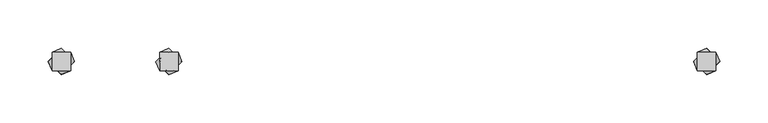
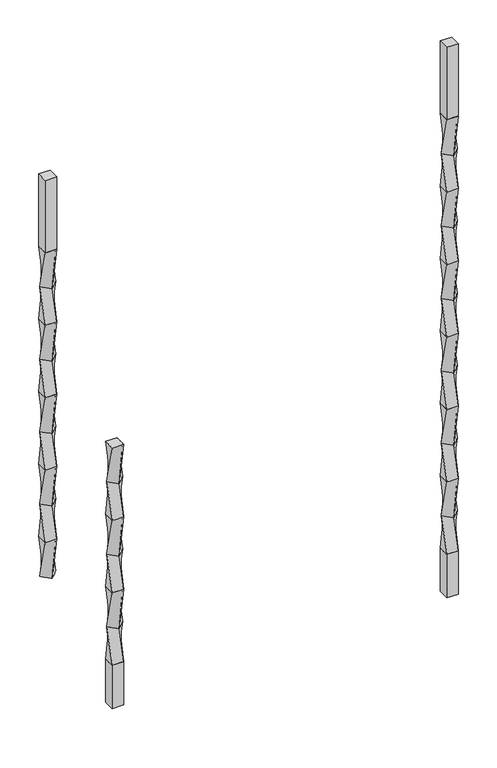
"""IFC4 building model written with IfcOpenShell, lengths in millimetres: proxy geometry."""

from ifc_helpers import new_model, si_unit, frame, origin, place, context, project, spatial, polyline, outline, extrude, source, transform, mapped, element, save
from ifc_brep_helpers import plane_surface, spline_surface, advanced_brep


def specialty_equipment_b28148e2(model_context):
    return source(origin(), model_context, "Body", "SolidModel", [
        advanced_brep(
        [(-231.775, 9.525, 558.8), (-231.775, -9.525, 558.8), (-212.725, -9.525, 558.8), (-212.725, 9.525, 558.8), (-222.25, 13.4703842, 495.3), (-208.7796158, 0.0, 495.3), (-222.25, -13.4703842, 495.3), (-235.7203842, 0.0, 495.3)],
        [
            (0, 1),
            (1, 2),
            (2, 3),
            (3, 0),
            (4, 5),
            (5, 6),
            (6, 7),
            (7, 4),
            (4, 0),
            (3, 5),
            (2, 6),
            (1, 7),
        ],
        [
            plane_surface(frame((-222.25, 0.0, 558.8), z_axis=(0.0, 0.0, 1.0), x_axis=(0.0, -1.0, 0.0))),
            plane_surface(frame((-222.25, 0.0, 495.3), z_axis=(0.0, 0.0, -1.0), x_axis=(0.0, -1.0, 0.0))),
            spline_surface(1, 1, [[(-208.7796158, 0.0, 495.3), (-212.725, 9.525, 558.8)], [(-222.25, 13.4703842, 495.3), (-231.775, 9.525, 558.8)]], [2, 2], [2, 2], [0.0, 1.0], [0.0, 1.0]),
            spline_surface(1, 1, [[(-222.25, -13.4703842, 495.3), (-212.725, -9.525, 558.8)], [(-208.7796158, 0.0, 495.3), (-212.725, 9.525, 558.8)]], [2, 2], [2, 2], [0.0, 1.0], [0.0, 1.0]),
            spline_surface(1, 1, [[(-235.7203842, 0.0, 495.3), (-231.775, -9.525, 558.8)], [(-222.25, -13.4703842, 495.3), (-212.725, -9.525, 558.8)]], [2, 2], [2, 2], [0.0, 1.0], [0.0, 1.0]),
            spline_surface(1, 1, [[(-222.25, 13.4703842, 495.3), (-231.775, 9.525, 558.8)], [(-235.7203842, 0.0, 495.3), (-231.775, -9.525, 558.8)]], [2, 2], [2, 2], [0.0, 1.0], [0.0, 1.0]),
        ],
        [
            (0, [[1, 2, 3, 4]]),
            (1, [[5, 6, 7, 8]]),
            (2, [[-5, 9, -4, 10]]),
            (3, [[-6, -10, -3, 11]]),
            (4, [[-7, -11, -2, 12]]),
            (5, [[-8, -12, -1, -9]]),
        ],
    ),
        advanced_brep(
        [(-222.25, 13.4703842, 495.3), (-235.7203842, 0.0, 495.3), (-222.25, -13.4703842, 495.3), (-208.7796158, 0.0, 495.3), (-231.775, 9.525, 431.8), (-212.725, 9.525, 431.8), (-212.725, -9.525, 431.8), (-231.775, -9.525, 431.8)],
        [
            (0, 1),
            (1, 2),
            (2, 3),
            (3, 0),
            (4, 5),
            (5, 6),
            (6, 7),
            (7, 4),
            (4, 0),
            (3, 5),
            (2, 6),
            (1, 7),
        ],
        [
            plane_surface(frame((-222.25, 0.0, 495.3), z_axis=(0.0, 0.0, 1.0000000000000002), x_axis=(0.7071067811865481, -0.707106781186547, 0.0))),
            plane_surface(frame((-222.25, 0.0, 431.8), z_axis=(0.0, 0.0, -1.0000000000000002), x_axis=(0.7071067811865481, -0.707106781186547, 0.0))),
            spline_surface(1, 1, [[(-212.725, 9.525, 431.8), (-208.7796158, 0.0, 495.3)], [(-231.775, 9.525, 431.8), (-222.25, 13.4703842, 495.3)]], [2, 2], [2, 2], [0.0, 1.0], [0.0, 1.0]),
            spline_surface(1, 1, [[(-212.725, -9.525, 431.8), (-222.25, -13.4703842, 495.3)], [(-212.725, 9.525, 431.8), (-208.7796158, 0.0, 495.3)]], [2, 2], [2, 2], [0.0, 1.0], [0.0, 1.0]),
            spline_surface(1, 1, [[(-231.775, -9.525, 431.8), (-235.7203842, 0.0, 495.3)], [(-212.725, -9.525, 431.8), (-222.25, -13.4703842, 495.3)]], [2, 2], [2, 2], [0.0, 1.0], [0.0, 1.0]),
            spline_surface(1, 1, [[(-231.775, 9.525, 431.8), (-222.25, 13.4703842, 495.3)], [(-231.775, -9.525, 431.8), (-235.7203842, 0.0, 495.3)]], [2, 2], [2, 2], [0.0, 1.0], [0.0, 1.0]),
        ],
        [
            (0, [[1, 2, 3, 4]]),
            (1, [[5, 6, 7, 8]]),
            (2, [[-5, 9, -4, 10]]),
            (3, [[-6, -10, -3, 11]]),
            (4, [[-7, -11, -2, 12]]),
            (5, [[-8, -12, -1, -9]]),
        ],
    ),
        advanced_brep(
        [(-231.775, 9.525, 431.8), (-231.775, -9.525, 431.8), (-212.725, -9.525, 431.8), (-212.725, 9.525, 431.8), (-222.25, 13.4703842, 368.3), (-208.7796158, 0.0, 368.3), (-222.25, -13.4703842, 368.3), (-235.7203842, 0.0, 368.3)],
        [
            (0, 1),
            (1, 2),
            (2, 3),
            (3, 0),
            (4, 5),
            (5, 6),
            (6, 7),
            (7, 4),
            (4, 0),
            (3, 5),
            (2, 6),
            (1, 7),
        ],
        [
            plane_surface(frame((-222.25, 0.0, 431.8), z_axis=(0.0, 0.0, 1.0), x_axis=(0.0, -1.0, 0.0))),
            plane_surface(frame((-222.25, 0.0, 368.3), z_axis=(0.0, 0.0, -1.0), x_axis=(0.0, -1.0, 0.0))),
            spline_surface(1, 1, [[(-208.7796158, 0.0, 368.3), (-212.725, 9.525, 431.8)], [(-222.25, 13.4703842, 368.3), (-231.775, 9.525, 431.8)]], [2, 2], [2, 2], [0.0, 1.0], [0.0, 1.0]),
            spline_surface(1, 1, [[(-222.25, -13.4703842, 368.3), (-212.725, -9.525, 431.8)], [(-208.7796158, 0.0, 368.3), (-212.725, 9.525, 431.8)]], [2, 2], [2, 2], [0.0, 1.0], [0.0, 1.0]),
            spline_surface(1, 1, [[(-235.7203842, 0.0, 368.3), (-231.775, -9.525, 431.8)], [(-222.25, -13.4703842, 368.3), (-212.725, -9.525, 431.8)]], [2, 2], [2, 2], [0.0, 1.0], [0.0, 1.0]),
            spline_surface(1, 1, [[(-222.25, 13.4703842, 368.3), (-231.775, 9.525, 431.8)], [(-235.7203842, 0.0, 368.3), (-231.775, -9.525, 431.8)]], [2, 2], [2, 2], [0.0, 1.0], [0.0, 1.0]),
        ],
        [
            (0, [[1, 2, 3, 4]]),
            (1, [[5, 6, 7, 8]]),
            (2, [[-5, 9, -4, 10]]),
            (3, [[-6, -10, -3, 11]]),
            (4, [[-7, -11, -2, 12]]),
            (5, [[-8, -12, -1, -9]]),
        ],
    ),
        advanced_brep(
        [(-222.25, 13.4703842, 368.3), (-235.7203842, 0.0, 368.3), (-222.25, -13.4703842, 368.3), (-208.7796158, 0.0, 368.3), (-231.775, 9.525, 304.8), (-212.725, 9.525, 304.8), (-212.725, -9.525, 304.8), (-231.775, -9.525, 304.8)],
        [
            (0, 1),
            (1, 2),
            (2, 3),
            (3, 0),
            (4, 5),
            (5, 6),
            (6, 7),
            (7, 4),
            (4, 0),
            (3, 5),
            (2, 6),
            (1, 7),
        ],
        [
            plane_surface(frame((-222.25, 0.0, 368.3), z_axis=(0.0, 0.0, 1.0000000000000002), x_axis=(0.7071067811865481, -0.707106781186547, 0.0))),
            plane_surface(frame((-222.25, 0.0, 304.8), z_axis=(0.0, 0.0, -1.0000000000000002), x_axis=(0.7071067811865481, -0.707106781186547, 0.0))),
            spline_surface(1, 1, [[(-212.725, 9.525, 304.8), (-208.7796158, 0.0, 368.3)], [(-231.775, 9.525, 304.8), (-222.25, 13.4703842, 368.3)]], [2, 2], [2, 2], [0.0, 1.0], [0.0, 1.0]),
            spline_surface(1, 1, [[(-212.725, -9.525, 304.8), (-222.25, -13.4703842, 368.3)], [(-212.725, 9.525, 304.8), (-208.7796158, 0.0, 368.3)]], [2, 2], [2, 2], [0.0, 1.0], [0.0, 1.0]),
            spline_surface(1, 1, [[(-231.775, -9.525, 304.8), (-235.7203842, 0.0, 368.3)], [(-212.725, -9.525, 304.8), (-222.25, -13.4703842, 368.3)]], [2, 2], [2, 2], [0.0, 1.0], [0.0, 1.0]),
            spline_surface(1, 1, [[(-231.775, 9.525, 304.8), (-222.25, 13.4703842, 368.3)], [(-231.775, -9.525, 304.8), (-235.7203842, 0.0, 368.3)]], [2, 2], [2, 2], [0.0, 1.0], [0.0, 1.0]),
        ],
        [
            (0, [[1, 2, 3, 4]]),
            (1, [[5, 6, 7, 8]]),
            (2, [[-5, 9, -4, 10]]),
            (3, [[-6, -10, -3, 11]]),
            (4, [[-7, -11, -2, 12]]),
            (5, [[-8, -12, -1, -9]]),
        ],
    ),
        advanced_brep(
        [(-231.775, 9.525, 304.8), (-231.775, -9.525, 304.8), (-212.725, -9.525, 304.8), (-212.725, 9.525, 304.8), (-222.25, 13.4703842, 241.3), (-208.7796158, 0.0, 241.3), (-222.25, -13.4703842, 241.3), (-235.7203842, 0.0, 241.3)],
        [
            (0, 1),
            (1, 2),
            (2, 3),
            (3, 0),
            (4, 5),
            (5, 6),
            (6, 7),
            (7, 4),
            (4, 0),
            (3, 5),
            (2, 6),
            (1, 7),
        ],
        [
            plane_surface(frame((-222.25, 0.0, 304.8), z_axis=(0.0, 0.0, 1.0), x_axis=(0.0, -1.0, 0.0))),
            plane_surface(frame((-222.25, 0.0, 241.3), z_axis=(0.0, 0.0, -1.0), x_axis=(0.0, -1.0, 0.0))),
            spline_surface(1, 1, [[(-208.7796158, 0.0, 241.3), (-212.725, 9.525, 304.8)], [(-222.25, 13.4703842, 241.3), (-231.775, 9.525, 304.8)]], [2, 2], [2, 2], [0.0, 1.0], [0.0, 1.0]),
            spline_surface(1, 1, [[(-222.25, -13.4703842, 241.3), (-212.725, -9.525, 304.8)], [(-208.7796158, 0.0, 241.3), (-212.725, 9.525, 304.8)]], [2, 2], [2, 2], [0.0, 1.0], [0.0, 1.0]),
            spline_surface(1, 1, [[(-235.7203842, 0.0, 241.3), (-231.775, -9.525, 304.8)], [(-222.25, -13.4703842, 241.3), (-212.725, -9.525, 304.8)]], [2, 2], [2, 2], [0.0, 1.0], [0.0, 1.0]),
            spline_surface(1, 1, [[(-222.25, 13.4703842, 241.3), (-231.775, 9.525, 304.8)], [(-235.7203842, 0.0, 241.3), (-231.775, -9.525, 304.8)]], [2, 2], [2, 2], [0.0, 1.0], [0.0, 1.0]),
        ],
        [
            (0, [[1, 2, 3, 4]]),
            (1, [[5, 6, 7, 8]]),
            (2, [[-5, 9, -4, 10]]),
            (3, [[-6, -10, -3, 11]]),
            (4, [[-7, -11, -2, 12]]),
            (5, [[-8, -12, -1, -9]]),
        ],
    ),
        advanced_brep(
        [(-222.25, 13.4703842, 241.3), (-235.7203842, 0.0, 241.3), (-222.25, -13.4703842, 241.3), (-208.7796158, 0.0, 241.3), (-231.775, 9.525, 177.8), (-212.725, 9.525, 177.8), (-212.725, -9.525, 177.8), (-231.775, -9.525, 177.8)],
        [
            (0, 1),
            (1, 2),
            (2, 3),
            (3, 0),
            (4, 5),
            (5, 6),
            (6, 7),
            (7, 4),
            (4, 0),
            (3, 5),
            (2, 6),
            (1, 7),
        ],
        [
            plane_surface(frame((-222.25, 0.0, 241.3), z_axis=(0.0, 0.0, 1.0000000000000002), x_axis=(0.7071067811865481, -0.707106781186547, 0.0))),
            plane_surface(frame((-222.25, 0.0, 177.8), z_axis=(0.0, 0.0, -1.0000000000000002), x_axis=(0.7071067811865481, -0.707106781186547, 0.0))),
            spline_surface(1, 1, [[(-212.725, 9.525, 177.8), (-208.7796158, 0.0, 241.3)], [(-231.775, 9.525, 177.8), (-222.25, 13.4703842, 241.3)]], [2, 2], [2, 2], [0.0, 1.0], [0.0, 1.0]),
            spline_surface(1, 1, [[(-212.725, -9.525, 177.8), (-222.25, -13.4703842, 241.3)], [(-212.725, 9.525, 177.8), (-208.7796158, 0.0, 241.3)]], [2, 2], [2, 2], [0.0, 1.0], [0.0, 1.0]),
            spline_surface(1, 1, [[(-231.775, -9.525, 177.8), (-235.7203842, 0.0, 241.3)], [(-212.725, -9.525, 177.8), (-222.25, -13.4703842, 241.3)]], [2, 2], [2, 2], [0.0, 1.0], [0.0, 1.0]),
            spline_surface(1, 1, [[(-231.775, 9.525, 177.8), (-222.25, 13.4703842, 241.3)], [(-231.775, -9.525, 177.8), (-235.7203842, 0.0, 241.3)]], [2, 2], [2, 2], [0.0, 1.0], [0.0, 1.0]),
        ],
        [
            (0, [[1, 2, 3, 4]]),
            (1, [[5, 6, 7, 8]]),
            (2, [[-5, 9, -4, 10]]),
            (3, [[-6, -10, -3, 11]]),
            (4, [[-7, -11, -2, 12]]),
            (5, [[-8, -12, -1, -9]]),
        ],
    ),
        extrude(outline(polyline([(-212.725, 9.525), (-212.725, -9.525), (-231.775, -9.525), (-231.775, 9.525), (-212.725, 9.525)])), frame((0.0, 0.0, 101.6), z_axis=(0.0, 0.0, 1.0), x_axis=(1.0, 0.0, 0.0)), (0.0, 0.0, 1.0), 76.2),
        advanced_brep(
        [(323.85, 9.525, 939.8), (323.85, -9.525, 939.8), (342.9, -9.525, 939.8), (342.9, 9.525, 939.8), (333.375, 13.4703842, 876.3), (346.8453842, 0.0, 876.3), (333.375, -13.4703842, 876.3), (319.9046158, 0.0, 876.3)],
        [
            (0, 1),
            (1, 2),
            (2, 3),
            (3, 0),
            (4, 5),
            (5, 6),
            (6, 7),
            (7, 4),
            (4, 0),
            (3, 5),
            (2, 6),
            (1, 7),
        ],
        [
            plane_surface(frame((333.375, 0.0, 939.8), z_axis=(0.0, 0.0, 1.0), x_axis=(0.0, -1.0, 0.0))),
            plane_surface(frame((333.375, 0.0, 876.3), z_axis=(0.0, 0.0, -1.0), x_axis=(0.0, -1.0, 0.0))),
            spline_surface(1, 1, [[(346.8453842, 0.0, 876.3), (342.9, 9.525, 939.8)], [(333.375, 13.4703842, 876.3), (323.85, 9.525, 939.8)]], [2, 2], [2, 2], [0.0, 1.0], [0.0, 1.0]),
            spline_surface(1, 1, [[(333.375, -13.4703842, 876.3), (342.9, -9.525, 939.8)], [(346.8453842, 0.0, 876.3), (342.9, 9.525, 939.8)]], [2, 2], [2, 2], [0.0, 1.0], [0.0, 1.0]),
            spline_surface(1, 1, [[(319.9046158, 0.0, 876.3), (323.85, -9.525, 939.8)], [(333.375, -13.4703842, 876.3), (342.9, -9.525, 939.8)]], [2, 2], [2, 2], [0.0, 1.0], [0.0, 1.0]),
            spline_surface(1, 1, [[(333.375, 13.4703842, 876.3), (323.85, 9.525, 939.8)], [(319.9046158, 0.0, 876.3), (323.85, -9.525, 939.8)]], [2, 2], [2, 2], [0.0, 1.0], [0.0, 1.0]),
        ],
        [
            (0, [[1, 2, 3, 4]]),
            (1, [[5, 6, 7, 8]]),
            (2, [[-5, 9, -4, 10]]),
            (3, [[-6, -10, -3, 11]]),
            (4, [[-7, -11, -2, 12]]),
            (5, [[-8, -12, -1, -9]]),
        ],
    ),
        advanced_brep(
        [(333.375, 13.4703842, 876.3), (319.9046158, 0.0, 876.3), (333.375, -13.4703842, 876.3), (346.8453842, 0.0, 876.3), (323.85, 9.525, 812.8), (342.9, 9.525, 812.8), (342.9, -9.525, 812.8), (323.85, -9.525, 812.8)],
        [
            (0, 1),
            (1, 2),
            (2, 3),
            (3, 0),
            (4, 5),
            (5, 6),
            (6, 7),
            (7, 4),
            (4, 0),
            (3, 5),
            (2, 6),
            (1, 7),
        ],
        [
            plane_surface(frame((333.375, 0.0, 876.3), z_axis=(0.0, 0.0, 1.0000000000000002), x_axis=(0.7071067811865481, -0.707106781186547, 0.0))),
            plane_surface(frame((333.375, 0.0, 812.8), z_axis=(0.0, 0.0, -1.0000000000000002), x_axis=(0.7071067811865481, -0.707106781186547, 0.0))),
            spline_surface(1, 1, [[(342.9, 9.525, 812.8), (346.8453842, 0.0, 876.3)], [(323.85, 9.525, 812.8), (333.375, 13.4703842, 876.3)]], [2, 2], [2, 2], [0.0, 1.0], [0.0, 1.0]),
            spline_surface(1, 1, [[(342.9, -9.525, 812.8), (333.375, -13.4703842, 876.3)], [(342.9, 9.525, 812.8), (346.8453842, 0.0, 876.3)]], [2, 2], [2, 2], [0.0, 1.0], [0.0, 1.0]),
            spline_surface(1, 1, [[(323.85, -9.525, 812.8), (319.9046158, 0.0, 876.3)], [(342.9, -9.525, 812.8), (333.375, -13.4703842, 876.3)]], [2, 2], [2, 2], [0.0, 1.0], [0.0, 1.0]),
            spline_surface(1, 1, [[(323.85, 9.525, 812.8), (333.375, 13.4703842, 876.3)], [(323.85, -9.525, 812.8), (319.9046158, 0.0, 876.3)]], [2, 2], [2, 2], [0.0, 1.0], [0.0, 1.0]),
        ],
        [
            (0, [[1, 2, 3, 4]]),
            (1, [[5, 6, 7, 8]]),
            (2, [[-5, 9, -4, 10]]),
            (3, [[-6, -10, -3, 11]]),
            (4, [[-7, -11, -2, 12]]),
            (5, [[-8, -12, -1, -9]]),
        ],
    ),
        extrude(outline(polyline([(342.9, 9.525), (342.9, -9.525), (323.85, -9.525), (323.85, 9.525), (342.9, 9.525)])), frame((0.0, 0.0, 939.8), z_axis=(0.0, 0.0, 1.0), x_axis=(1.0, 0.0, 0.0)), (0.0, 0.0, 1.0), 127.0),
        advanced_brep(
        [(323.85, 9.525, 812.8), (323.85, -9.525, 812.8), (342.9, -9.525, 812.8), (342.9, 9.525, 812.8), (333.375, 13.4703842, 749.3), (346.8453842, 0.0, 749.3), (333.375, -13.4703842, 749.3), (319.9046158, 0.0, 749.3)],
        [
            (0, 1),
            (1, 2),
            (2, 3),
            (3, 0),
            (4, 5),
            (5, 6),
            (6, 7),
            (7, 4),
            (4, 0),
            (3, 5),
            (2, 6),
            (1, 7),
        ],
        [
            plane_surface(frame((333.375, 0.0, 812.8), z_axis=(0.0, 0.0, 1.0), x_axis=(0.0, -1.0, 0.0))),
            plane_surface(frame((333.375, 0.0, 749.3), z_axis=(0.0, 0.0, -1.0), x_axis=(0.0, -1.0, 0.0))),
            spline_surface(1, 1, [[(346.8453842, 0.0, 749.3), (342.9, 9.525, 812.8)], [(333.375, 13.4703842, 749.3), (323.85, 9.525, 812.8)]], [2, 2], [2, 2], [0.0, 1.0], [0.0, 1.0]),
            spline_surface(1, 1, [[(333.375, -13.4703842, 749.3), (342.9, -9.525, 812.8)], [(346.8453842, 0.0, 749.3), (342.9, 9.525, 812.8)]], [2, 2], [2, 2], [0.0, 1.0], [0.0, 1.0]),
            spline_surface(1, 1, [[(319.9046158, 0.0, 749.3), (323.85, -9.525, 812.8)], [(333.375, -13.4703842, 749.3), (342.9, -9.525, 812.8)]], [2, 2], [2, 2], [0.0, 1.0], [0.0, 1.0]),
            spline_surface(1, 1, [[(333.375, 13.4703842, 749.3), (323.85, 9.525, 812.8)], [(319.9046158, 0.0, 749.3), (323.85, -9.525, 812.8)]], [2, 2], [2, 2], [0.0, 1.0], [0.0, 1.0]),
        ],
        [
            (0, [[1, 2, 3, 4]]),
            (1, [[5, 6, 7, 8]]),
            (2, [[-5, 9, -4, 10]]),
            (3, [[-6, -10, -3, 11]]),
            (4, [[-7, -11, -2, 12]]),
            (5, [[-8, -12, -1, -9]]),
        ],
    ),
        advanced_brep(
        [(333.375, 13.4703842, 749.3), (319.9046158, 0.0, 749.3), (333.375, -13.4703842, 749.3), (346.8453842, 0.0, 749.3), (323.85, 9.525, 685.8), (342.9, 9.525, 685.8), (342.9, -9.525, 685.8), (323.85, -9.525, 685.8)],
        [
            (0, 1),
            (1, 2),
            (2, 3),
            (3, 0),
            (4, 5),
            (5, 6),
            (6, 7),
            (7, 4),
            (4, 0),
            (3, 5),
            (2, 6),
            (1, 7),
        ],
        [
            plane_surface(frame((333.375, 0.0, 749.3), z_axis=(0.0, 0.0, 1.0000000000000002), x_axis=(0.7071067811865481, -0.707106781186547, 0.0))),
            plane_surface(frame((333.375, 0.0, 685.8), z_axis=(0.0, 0.0, -1.0000000000000002), x_axis=(0.7071067811865481, -0.707106781186547, 0.0))),
            spline_surface(1, 1, [[(342.9, 9.525, 685.8), (346.8453842, 0.0, 749.3)], [(323.85, 9.525, 685.8), (333.375, 13.4703842, 749.3)]], [2, 2], [2, 2], [0.0, 1.0], [0.0, 1.0]),
            spline_surface(1, 1, [[(342.9, -9.525, 685.8), (333.375, -13.4703842, 749.3)], [(342.9, 9.525, 685.8), (346.8453842, 0.0, 749.3)]], [2, 2], [2, 2], [0.0, 1.0], [0.0, 1.0]),
            spline_surface(1, 1, [[(323.85, -9.525, 685.8), (319.9046158, 0.0, 749.3)], [(342.9, -9.525, 685.8), (333.375, -13.4703842, 749.3)]], [2, 2], [2, 2], [0.0, 1.0], [0.0, 1.0]),
            spline_surface(1, 1, [[(323.85, 9.525, 685.8), (333.375, 13.4703842, 749.3)], [(323.85, -9.525, 685.8), (319.9046158, 0.0, 749.3)]], [2, 2], [2, 2], [0.0, 1.0], [0.0, 1.0]),
        ],
        [
            (0, [[1, 2, 3, 4]]),
            (1, [[5, 6, 7, 8]]),
            (2, [[-5, 9, -4, 10]]),
            (3, [[-6, -10, -3, 11]]),
            (4, [[-7, -11, -2, 12]]),
            (5, [[-8, -12, -1, -9]]),
        ],
    ),
        advanced_brep(
        [(323.85, 9.525, 685.8), (323.85, -9.525, 685.8), (342.9, -9.525, 685.8), (342.9, 9.525, 685.8), (333.375, 13.4703842, 622.3), (346.8453842, 0.0, 622.3), (333.375, -13.4703842, 622.3), (319.9046158, 0.0, 622.3)],
        [
            (0, 1),
            (1, 2),
            (2, 3),
            (3, 0),
            (4, 5),
            (5, 6),
            (6, 7),
            (7, 4),
            (4, 0),
            (3, 5),
            (2, 6),
            (1, 7),
        ],
        [
            plane_surface(frame((333.375, 0.0, 685.8), z_axis=(0.0, 0.0, 1.0), x_axis=(0.0, -1.0, 0.0))),
            plane_surface(frame((333.375, 0.0, 622.3), z_axis=(0.0, 0.0, -1.0), x_axis=(0.0, -1.0, 0.0))),
            spline_surface(1, 1, [[(346.8453842, 0.0, 622.3), (342.9, 9.525, 685.8)], [(333.375, 13.4703842, 622.3), (323.85, 9.525, 685.8)]], [2, 2], [2, 2], [0.0, 1.0], [0.0, 1.0]),
            spline_surface(1, 1, [[(333.375, -13.4703842, 622.3), (342.9, -9.525, 685.8)], [(346.8453842, 0.0, 622.3), (342.9, 9.525, 685.8)]], [2, 2], [2, 2], [0.0, 1.0], [0.0, 1.0]),
            spline_surface(1, 1, [[(319.9046158, 0.0, 622.3), (323.85, -9.525, 685.8)], [(333.375, -13.4703842, 622.3), (342.9, -9.525, 685.8)]], [2, 2], [2, 2], [0.0, 1.0], [0.0, 1.0]),
            spline_surface(1, 1, [[(333.375, 13.4703842, 622.3), (323.85, 9.525, 685.8)], [(319.9046158, 0.0, 622.3), (323.85, -9.525, 685.8)]], [2, 2], [2, 2], [0.0, 1.0], [0.0, 1.0]),
        ],
        [
            (0, [[1, 2, 3, 4]]),
            (1, [[5, 6, 7, 8]]),
            (2, [[-5, 9, -4, 10]]),
            (3, [[-6, -10, -3, 11]]),
            (4, [[-7, -11, -2, 12]]),
            (5, [[-8, -12, -1, -9]]),
        ],
    ),
        advanced_brep(
        [(333.375, 13.4703842, 622.3), (319.9046158, 0.0, 622.3), (333.375, -13.4703842, 622.3), (346.8453842, 0.0, 622.3), (323.85, 9.525, 558.8), (342.9, 9.525, 558.8), (342.9, -9.525, 558.8), (323.85, -9.525, 558.8)],
        [
            (0, 1),
            (1, 2),
            (2, 3),
            (3, 0),
            (4, 5),
            (5, 6),
            (6, 7),
            (7, 4),
            (4, 0),
            (3, 5),
            (2, 6),
            (1, 7),
        ],
        [
            plane_surface(frame((333.375, 0.0, 622.3), z_axis=(0.0, 0.0, 1.0000000000000002), x_axis=(0.7071067811865481, -0.707106781186547, 0.0))),
            plane_surface(frame((333.375, 0.0, 558.8), z_axis=(0.0, 0.0, -1.0000000000000002), x_axis=(0.7071067811865481, -0.707106781186547, 0.0))),
            spline_surface(1, 1, [[(342.9, 9.525, 558.8), (346.8453842, 0.0, 622.3)], [(323.85, 9.525, 558.8), (333.375, 13.4703842, 622.3)]], [2, 2], [2, 2], [0.0, 1.0], [0.0, 1.0]),
            spline_surface(1, 1, [[(342.9, -9.525, 558.8), (333.375, -13.4703842, 622.3)], [(342.9, 9.525, 558.8), (346.8453842, 0.0, 622.3)]], [2, 2], [2, 2], [0.0, 1.0], [0.0, 1.0]),
            spline_surface(1, 1, [[(323.85, -9.525, 558.8), (319.9046158, 0.0, 622.3)], [(342.9, -9.525, 558.8), (333.375, -13.4703842, 622.3)]], [2, 2], [2, 2], [0.0, 1.0], [0.0, 1.0]),
            spline_surface(1, 1, [[(323.85, 9.525, 558.8), (333.375, 13.4703842, 622.3)], [(323.85, -9.525, 558.8), (319.9046158, 0.0, 622.3)]], [2, 2], [2, 2], [0.0, 1.0], [0.0, 1.0]),
        ],
        [
            (0, [[1, 2, 3, 4]]),
            (1, [[5, 6, 7, 8]]),
            (2, [[-5, 9, -4, 10]]),
            (3, [[-6, -10, -3, 11]]),
            (4, [[-7, -11, -2, 12]]),
            (5, [[-8, -12, -1, -9]]),
        ],
    ),
        advanced_brep(
        [(323.85, 9.525, 558.8), (323.85, -9.525, 558.8), (342.9, -9.525, 558.8), (342.9, 9.525, 558.8), (333.375, 13.4703842, 495.3), (346.8453842, 0.0, 495.3), (333.375, -13.4703842, 495.3), (319.9046158, 0.0, 495.3)],
        [
            (0, 1),
            (1, 2),
            (2, 3),
            (3, 0),
            (4, 5),
            (5, 6),
            (6, 7),
            (7, 4),
            (4, 0),
            (3, 5),
            (2, 6),
            (1, 7),
        ],
        [
            plane_surface(frame((333.375, 0.0, 558.8), z_axis=(0.0, 0.0, 1.0), x_axis=(0.0, -1.0, 0.0))),
            plane_surface(frame((333.375, 0.0, 495.3), z_axis=(0.0, 0.0, -1.0), x_axis=(0.0, -1.0, 0.0))),
            spline_surface(1, 1, [[(346.8453842, 0.0, 495.3), (342.9, 9.525, 558.8)], [(333.375, 13.4703842, 495.3), (323.85, 9.525, 558.8)]], [2, 2], [2, 2], [0.0, 1.0], [0.0, 1.0]),
            spline_surface(1, 1, [[(333.375, -13.4703842, 495.3), (342.9, -9.525, 558.8)], [(346.8453842, 0.0, 495.3), (342.9, 9.525, 558.8)]], [2, 2], [2, 2], [0.0, 1.0], [0.0, 1.0]),
            spline_surface(1, 1, [[(319.9046158, 0.0, 495.3), (323.85, -9.525, 558.8)], [(333.375, -13.4703842, 495.3), (342.9, -9.525, 558.8)]], [2, 2], [2, 2], [0.0, 1.0], [0.0, 1.0]),
            spline_surface(1, 1, [[(333.375, 13.4703842, 495.3), (323.85, 9.525, 558.8)], [(319.9046158, 0.0, 495.3), (323.85, -9.525, 558.8)]], [2, 2], [2, 2], [0.0, 1.0], [0.0, 1.0]),
        ],
        [
            (0, [[1, 2, 3, 4]]),
            (1, [[5, 6, 7, 8]]),
            (2, [[-5, 9, -4, 10]]),
            (3, [[-6, -10, -3, 11]]),
            (4, [[-7, -11, -2, 12]]),
            (5, [[-8, -12, -1, -9]]),
        ],
    ),
        advanced_brep(
        [(333.375, 13.4703842, 495.3), (319.9046158, 0.0, 495.3), (333.375, -13.4703842, 495.3), (346.8453842, 0.0, 495.3), (323.85, 9.525, 431.8), (342.9, 9.525, 431.8), (342.9, -9.525, 431.8), (323.85, -9.525, 431.8)],
        [
            (0, 1),
            (1, 2),
            (2, 3),
            (3, 0),
            (4, 5),
            (5, 6),
            (6, 7),
            (7, 4),
            (4, 0),
            (3, 5),
            (2, 6),
            (1, 7),
        ],
        [
            plane_surface(frame((333.375, 0.0, 495.3), z_axis=(0.0, 0.0, 1.0000000000000002), x_axis=(0.7071067811865481, -0.707106781186547, 0.0))),
            plane_surface(frame((333.375, 0.0, 431.8), z_axis=(0.0, 0.0, -1.0000000000000002), x_axis=(0.7071067811865481, -0.707106781186547, 0.0))),
            spline_surface(1, 1, [[(342.9, 9.525, 431.8), (346.8453842, 0.0, 495.3)], [(323.85, 9.525, 431.8), (333.375, 13.4703842, 495.3)]], [2, 2], [2, 2], [0.0, 1.0], [0.0, 1.0]),
            spline_surface(1, 1, [[(342.9, -9.525, 431.8), (333.375, -13.4703842, 495.3)], [(342.9, 9.525, 431.8), (346.8453842, 0.0, 495.3)]], [2, 2], [2, 2], [0.0, 1.0], [0.0, 1.0]),
            spline_surface(1, 1, [[(323.85, -9.525, 431.8), (319.9046158, 0.0, 495.3)], [(342.9, -9.525, 431.8), (333.375, -13.4703842, 495.3)]], [2, 2], [2, 2], [0.0, 1.0], [0.0, 1.0]),
            spline_surface(1, 1, [[(323.85, 9.525, 431.8), (333.375, 13.4703842, 495.3)], [(323.85, -9.525, 431.8), (319.9046158, 0.0, 495.3)]], [2, 2], [2, 2], [0.0, 1.0], [0.0, 1.0]),
        ],
        [
            (0, [[1, 2, 3, 4]]),
            (1, [[5, 6, 7, 8]]),
            (2, [[-5, 9, -4, 10]]),
            (3, [[-6, -10, -3, 11]]),
            (4, [[-7, -11, -2, 12]]),
            (5, [[-8, -12, -1, -9]]),
        ],
    ),
        advanced_brep(
        [(323.85, 9.525, 431.8), (323.85, -9.525, 431.8), (342.9, -9.525, 431.8), (342.9, 9.525, 431.8), (333.375, 13.4703842, 368.3), (346.8453842, 0.0, 368.3), (333.375, -13.4703842, 368.3), (319.9046158, 0.0, 368.3)],
        [
            (0, 1),
            (1, 2),
            (2, 3),
            (3, 0),
            (4, 5),
            (5, 6),
            (6, 7),
            (7, 4),
            (4, 0),
            (3, 5),
            (2, 6),
            (1, 7),
        ],
        [
            plane_surface(frame((333.375, 0.0, 431.8), z_axis=(0.0, 0.0, 1.0), x_axis=(0.0, -1.0, 0.0))),
            plane_surface(frame((333.375, 0.0, 368.3), z_axis=(0.0, 0.0, -1.0), x_axis=(0.0, -1.0, 0.0))),
            spline_surface(1, 1, [[(346.8453842, 0.0, 368.3), (342.9, 9.525, 431.8)], [(333.375, 13.4703842, 368.3), (323.85, 9.525, 431.8)]], [2, 2], [2, 2], [0.0, 1.0], [0.0, 1.0]),
            spline_surface(1, 1, [[(333.375, -13.4703842, 368.3), (342.9, -9.525, 431.8)], [(346.8453842, 0.0, 368.3), (342.9, 9.525, 431.8)]], [2, 2], [2, 2], [0.0, 1.0], [0.0, 1.0]),
            spline_surface(1, 1, [[(319.9046158, 0.0, 368.3), (323.85, -9.525, 431.8)], [(333.375, -13.4703842, 368.3), (342.9, -9.525, 431.8)]], [2, 2], [2, 2], [0.0, 1.0], [0.0, 1.0]),
            spline_surface(1, 1, [[(333.375, 13.4703842, 368.3), (323.85, 9.525, 431.8)], [(319.9046158, 0.0, 368.3), (323.85, -9.525, 431.8)]], [2, 2], [2, 2], [0.0, 1.0], [0.0, 1.0]),
        ],
        [
            (0, [[1, 2, 3, 4]]),
            (1, [[5, 6, 7, 8]]),
            (2, [[-5, 9, -4, 10]]),
            (3, [[-6, -10, -3, 11]]),
            (4, [[-7, -11, -2, 12]]),
            (5, [[-8, -12, -1, -9]]),
        ],
    ),
        advanced_brep(
        [(333.375, 13.4703842, 368.3), (319.9046158, 0.0, 368.3), (333.375, -13.4703842, 368.3), (346.8453842, 0.0, 368.3), (323.85, 9.525, 304.8), (342.9, 9.525, 304.8), (342.9, -9.525, 304.8), (323.85, -9.525, 304.8)],
        [
            (0, 1),
            (1, 2),
            (2, 3),
            (3, 0),
            (4, 5),
            (5, 6),
            (6, 7),
            (7, 4),
            (4, 0),
            (3, 5),
            (2, 6),
            (1, 7),
        ],
        [
            plane_surface(frame((333.375, 0.0, 368.3), z_axis=(0.0, 0.0, 1.0000000000000002), x_axis=(0.7071067811865481, -0.707106781186547, 0.0))),
            plane_surface(frame((333.375, 0.0, 304.8), z_axis=(0.0, 0.0, -1.0000000000000002), x_axis=(0.7071067811865481, -0.707106781186547, 0.0))),
            spline_surface(1, 1, [[(342.9, 9.525, 304.8), (346.8453842, 0.0, 368.3)], [(323.85, 9.525, 304.8), (333.375, 13.4703842, 368.3)]], [2, 2], [2, 2], [0.0, 1.0], [0.0, 1.0]),
            spline_surface(1, 1, [[(342.9, -9.525, 304.8), (333.375, -13.4703842, 368.3)], [(342.9, 9.525, 304.8), (346.8453842, 0.0, 368.3)]], [2, 2], [2, 2], [0.0, 1.0], [0.0, 1.0]),
            spline_surface(1, 1, [[(323.85, -9.525, 304.8), (319.9046158, 0.0, 368.3)], [(342.9, -9.525, 304.8), (333.375, -13.4703842, 368.3)]], [2, 2], [2, 2], [0.0, 1.0], [0.0, 1.0]),
            spline_surface(1, 1, [[(323.85, 9.525, 304.8), (333.375, 13.4703842, 368.3)], [(323.85, -9.525, 304.8), (319.9046158, 0.0, 368.3)]], [2, 2], [2, 2], [0.0, 1.0], [0.0, 1.0]),
        ],
        [
            (0, [[1, 2, 3, 4]]),
            (1, [[5, 6, 7, 8]]),
            (2, [[-5, 9, -4, 10]]),
            (3, [[-6, -10, -3, 11]]),
            (4, [[-7, -11, -2, 12]]),
            (5, [[-8, -12, -1, -9]]),
        ],
    ),
        advanced_brep(
        [(323.85, 9.525, 304.8), (323.85, -9.525, 304.8), (342.9, -9.525, 304.8), (342.9, 9.525, 304.8), (333.375, 13.4703842, 241.3), (346.8453842, 0.0, 241.3), (333.375, -13.4703842, 241.3), (319.9046158, 0.0, 241.3)],
        [
            (0, 1),
            (1, 2),
            (2, 3),
            (3, 0),
            (4, 5),
            (5, 6),
            (6, 7),
            (7, 4),
            (4, 0),
            (3, 5),
            (2, 6),
            (1, 7),
        ],
        [
            plane_surface(frame((333.375, 0.0, 304.8), z_axis=(0.0, 0.0, 1.0), x_axis=(0.0, -1.0, 0.0))),
            plane_surface(frame((333.375, 0.0, 241.3), z_axis=(0.0, 0.0, -1.0), x_axis=(0.0, -1.0, 0.0))),
            spline_surface(1, 1, [[(346.8453842, 0.0, 241.3), (342.9, 9.525, 304.8)], [(333.375, 13.4703842, 241.3), (323.85, 9.525, 304.8)]], [2, 2], [2, 2], [0.0, 1.0], [0.0, 1.0]),
            spline_surface(1, 1, [[(333.375, -13.4703842, 241.3), (342.9, -9.525, 304.8)], [(346.8453842, 0.0, 241.3), (342.9, 9.525, 304.8)]], [2, 2], [2, 2], [0.0, 1.0], [0.0, 1.0]),
            spline_surface(1, 1, [[(319.9046158, 0.0, 241.3), (323.85, -9.525, 304.8)], [(333.375, -13.4703842, 241.3), (342.9, -9.525, 304.8)]], [2, 2], [2, 2], [0.0, 1.0], [0.0, 1.0]),
            spline_surface(1, 1, [[(333.375, 13.4703842, 241.3), (323.85, 9.525, 304.8)], [(319.9046158, 0.0, 241.3), (323.85, -9.525, 304.8)]], [2, 2], [2, 2], [0.0, 1.0], [0.0, 1.0]),
        ],
        [
            (0, [[1, 2, 3, 4]]),
            (1, [[5, 6, 7, 8]]),
            (2, [[-5, 9, -4, 10]]),
            (3, [[-6, -10, -3, 11]]),
            (4, [[-7, -11, -2, 12]]),
            (5, [[-8, -12, -1, -9]]),
        ],
    ),
        advanced_brep(
        [(333.375, 13.4703842, 241.3), (319.9046158, 0.0, 241.3), (333.375, -13.4703842, 241.3), (346.8453842, 0.0, 241.3), (323.85, 9.525, 177.8), (342.9, 9.525, 177.8), (342.9, -9.525, 177.8), (323.85, -9.525, 177.8)],
        [
            (0, 1),
            (1, 2),
            (2, 3),
            (3, 0),
            (4, 5),
            (5, 6),
            (6, 7),
            (7, 4),
            (4, 0),
            (3, 5),
            (2, 6),
            (1, 7),
        ],
        [
            plane_surface(frame((333.375, 0.0, 241.3), z_axis=(0.0, 0.0, 1.0000000000000002), x_axis=(0.7071067811865481, -0.707106781186547, 0.0))),
            plane_surface(frame((333.375, 0.0, 177.8), z_axis=(0.0, 0.0, -1.0000000000000002), x_axis=(0.7071067811865481, -0.707106781186547, 0.0))),
            spline_surface(1, 1, [[(342.9, 9.525, 177.8), (346.8453842, 0.0, 241.3)], [(323.85, 9.525, 177.8), (333.375, 13.4703842, 241.3)]], [2, 2], [2, 2], [0.0, 1.0], [0.0, 1.0]),
            spline_surface(1, 1, [[(342.9, -9.525, 177.8), (333.375, -13.4703842, 241.3)], [(342.9, 9.525, 177.8), (346.8453842, 0.0, 241.3)]], [2, 2], [2, 2], [0.0, 1.0], [0.0, 1.0]),
            spline_surface(1, 1, [[(323.85, -9.525, 177.8), (319.9046158, 0.0, 241.3)], [(342.9, -9.525, 177.8), (333.375, -13.4703842, 241.3)]], [2, 2], [2, 2], [0.0, 1.0], [0.0, 1.0]),
            spline_surface(1, 1, [[(323.85, 9.525, 177.8), (333.375, 13.4703842, 241.3)], [(323.85, -9.525, 177.8), (319.9046158, 0.0, 241.3)]], [2, 2], [2, 2], [0.0, 1.0], [0.0, 1.0]),
        ],
        [
            (0, [[1, 2, 3, 4]]),
            (1, [[5, 6, 7, 8]]),
            (2, [[-5, 9, -4, 10]]),
            (3, [[-6, -10, -3, 11]]),
            (4, [[-7, -11, -2, 12]]),
            (5, [[-8, -12, -1, -9]]),
        ],
    ),
        extrude(outline(polyline([(342.9, 9.525), (342.9, -9.525), (323.85, -9.525), (323.85, 9.525), (342.9, 9.525)])), frame((0.0, 0.0, 101.6), z_axis=(0.0, 0.0, 1.0), x_axis=(1.0, 0.0, 0.0)), (0.0, 0.0, 1.0), 76.2),
        advanced_brep(
        [(-342.9, 9.525, 939.8), (-342.9, -9.525, 939.8), (-323.85, -9.525, 939.8), (-323.85, 9.525, 939.8), (-333.375, 13.4703842, 876.3), (-319.9046158, 0.0, 876.3), (-333.375, -13.4703842, 876.3), (-346.8453842, 0.0, 876.3)],
        [
            (0, 1),
            (1, 2),
            (2, 3),
            (3, 0),
            (4, 5),
            (5, 6),
            (6, 7),
            (7, 4),
            (4, 0),
            (3, 5),
            (2, 6),
            (1, 7),
        ],
        [
            plane_surface(frame((-333.375, 0.0, 939.8), z_axis=(0.0, 0.0, 1.0), x_axis=(0.0, -1.0, 0.0))),
            plane_surface(frame((-333.375, 0.0, 876.3), z_axis=(0.0, 0.0, -1.0), x_axis=(0.0, -1.0, 0.0))),
            spline_surface(1, 1, [[(-319.9046158, 0.0, 876.3), (-323.85, 9.525, 939.8)], [(-333.375, 13.4703842, 876.3), (-342.9, 9.525, 939.8)]], [2, 2], [2, 2], [0.0, 1.0], [0.0, 1.0]),
            spline_surface(1, 1, [[(-333.375, -13.4703842, 876.3), (-323.85, -9.525, 939.8)], [(-319.9046158, 0.0, 876.3), (-323.85, 9.525, 939.8)]], [2, 2], [2, 2], [0.0, 1.0], [0.0, 1.0]),
            spline_surface(1, 1, [[(-346.8453842, 0.0, 876.3), (-342.9, -9.525, 939.8)], [(-333.375, -13.4703842, 876.3), (-323.85, -9.525, 939.8)]], [2, 2], [2, 2], [0.0, 1.0], [0.0, 1.0]),
            spline_surface(1, 1, [[(-333.375, 13.4703842, 876.3), (-342.9, 9.525, 939.8)], [(-346.8453842, 0.0, 876.3), (-342.9, -9.525, 939.8)]], [2, 2], [2, 2], [0.0, 1.0], [0.0, 1.0]),
        ],
        [
            (0, [[1, 2, 3, 4]]),
            (1, [[5, 6, 7, 8]]),
            (2, [[-5, 9, -4, 10]]),
            (3, [[-6, -10, -3, 11]]),
            (4, [[-7, -11, -2, 12]]),
            (5, [[-8, -12, -1, -9]]),
        ],
    ),
        advanced_brep(
        [(-333.375, 13.4703842, 876.3), (-346.8453842, 0.0, 876.3), (-333.375, -13.4703842, 876.3), (-319.9046158, 0.0, 876.3), (-342.9, 9.525, 812.8), (-323.85, 9.525, 812.8), (-323.85, -9.525, 812.8), (-342.9, -9.525, 812.8)],
        [
            (0, 1),
            (1, 2),
            (2, 3),
            (3, 0),
            (4, 5),
            (5, 6),
            (6, 7),
            (7, 4),
            (4, 0),
            (3, 5),
            (2, 6),
            (1, 7),
        ],
        [
            plane_surface(frame((-333.375, 0.0, 876.3), z_axis=(0.0, 0.0, 1.0000000000000002), x_axis=(0.7071067811865481, -0.707106781186547, 0.0))),
            plane_surface(frame((-333.375, 0.0, 812.8), z_axis=(0.0, 0.0, -1.0000000000000002), x_axis=(0.7071067811865481, -0.707106781186547, 0.0))),
            spline_surface(1, 1, [[(-323.85, 9.525, 812.8), (-319.9046158, 0.0, 876.3)], [(-342.9, 9.525, 812.8), (-333.375, 13.4703842, 876.3)]], [2, 2], [2, 2], [0.0, 1.0], [0.0, 1.0]),
            spline_surface(1, 1, [[(-323.85, -9.525, 812.8), (-333.375, -13.4703842, 876.3)], [(-323.85, 9.525, 812.8), (-319.9046158, 0.0, 876.3)]], [2, 2], [2, 2], [0.0, 1.0], [0.0, 1.0]),
            spline_surface(1, 1, [[(-342.9, -9.525, 812.8), (-346.8453842, 0.0, 876.3)], [(-323.85, -9.525, 812.8), (-333.375, -13.4703842, 876.3)]], [2, 2], [2, 2], [0.0, 1.0], [0.0, 1.0]),
            spline_surface(1, 1, [[(-342.9, 9.525, 812.8), (-333.375, 13.4703842, 876.3)], [(-342.9, -9.525, 812.8), (-346.8453842, 0.0, 876.3)]], [2, 2], [2, 2], [0.0, 1.0], [0.0, 1.0]),
        ],
        [
            (0, [[1, 2, 3, 4]]),
            (1, [[5, 6, 7, 8]]),
            (2, [[-5, 9, -4, 10]]),
            (3, [[-6, -10, -3, 11]]),
            (4, [[-7, -11, -2, 12]]),
            (5, [[-8, -12, -1, -9]]),
        ],
    ),
        extrude(outline(polyline([(-323.85, 9.525), (-323.85, -9.525), (-342.9, -9.525), (-342.9, 9.525), (-323.85, 9.525)])), frame((0.0, 0.0, 939.8), z_axis=(0.0, 0.0, 1.0), x_axis=(1.0, 0.0, 0.0)), (0.0, 0.0, 1.0), 127.0),
        advanced_brep(
        [(-342.9, 9.525, 812.8), (-342.9, -9.525, 812.8), (-323.85, -9.525, 812.8), (-323.85, 9.525, 812.8), (-333.375, 13.4703842, 749.3), (-319.9046158, 0.0, 749.3), (-333.375, -13.4703842, 749.3), (-346.8453842, 0.0, 749.3)],
        [
            (0, 1),
            (1, 2),
            (2, 3),
            (3, 0),
            (4, 5),
            (5, 6),
            (6, 7),
            (7, 4),
            (4, 0),
            (3, 5),
            (2, 6),
            (1, 7),
        ],
        [
            plane_surface(frame((-333.375, 0.0, 812.8), z_axis=(0.0, 0.0, 1.0), x_axis=(0.0, -1.0, 0.0))),
            plane_surface(frame((-333.375, 0.0, 749.3), z_axis=(0.0, 0.0, -1.0), x_axis=(0.0, -1.0, 0.0))),
            spline_surface(1, 1, [[(-319.9046158, 0.0, 749.3), (-323.85, 9.525, 812.8)], [(-333.375, 13.4703842, 749.3), (-342.9, 9.525, 812.8)]], [2, 2], [2, 2], [0.0, 1.0], [0.0, 1.0]),
            spline_surface(1, 1, [[(-333.375, -13.4703842, 749.3), (-323.85, -9.525, 812.8)], [(-319.9046158, 0.0, 749.3), (-323.85, 9.525, 812.8)]], [2, 2], [2, 2], [0.0, 1.0], [0.0, 1.0]),
            spline_surface(1, 1, [[(-346.8453842, 0.0, 749.3), (-342.9, -9.525, 812.8)], [(-333.375, -13.4703842, 749.3), (-323.85, -9.525, 812.8)]], [2, 2], [2, 2], [0.0, 1.0], [0.0, 1.0]),
            spline_surface(1, 1, [[(-333.375, 13.4703842, 749.3), (-342.9, 9.525, 812.8)], [(-346.8453842, 0.0, 749.3), (-342.9, -9.525, 812.8)]], [2, 2], [2, 2], [0.0, 1.0], [0.0, 1.0]),
        ],
        [
            (0, [[1, 2, 3, 4]]),
            (1, [[5, 6, 7, 8]]),
            (2, [[-5, 9, -4, 10]]),
            (3, [[-6, -10, -3, 11]]),
            (4, [[-7, -11, -2, 12]]),
            (5, [[-8, -12, -1, -9]]),
        ],
    ),
        advanced_brep(
        [(-333.375, 13.4703842, 749.3), (-346.8453842, 0.0, 749.3), (-333.375, -13.4703842, 749.3), (-319.9046158, 0.0, 749.3), (-342.9, 9.525, 685.8), (-323.85, 9.525, 685.8), (-323.85, -9.525, 685.8), (-342.9, -9.525, 685.8)],
        [
            (0, 1),
            (1, 2),
            (2, 3),
            (3, 0),
            (4, 5),
            (5, 6),
            (6, 7),
            (7, 4),
            (4, 0),
            (3, 5),
            (2, 6),
            (1, 7),
        ],
        [
            plane_surface(frame((-333.375, 0.0, 749.3), z_axis=(0.0, 0.0, 1.0000000000000002), x_axis=(0.7071067811865481, -0.707106781186547, 0.0))),
            plane_surface(frame((-333.375, 0.0, 685.8), z_axis=(0.0, 0.0, -1.0000000000000002), x_axis=(0.7071067811865481, -0.707106781186547, 0.0))),
            spline_surface(1, 1, [[(-323.85, 9.525, 685.8), (-319.9046158, 0.0, 749.3)], [(-342.9, 9.525, 685.8), (-333.375, 13.4703842, 749.3)]], [2, 2], [2, 2], [0.0, 1.0], [0.0, 1.0]),
            spline_surface(1, 1, [[(-323.85, -9.525, 685.8), (-333.375, -13.4703842, 749.3)], [(-323.85, 9.525, 685.8), (-319.9046158, 0.0, 749.3)]], [2, 2], [2, 2], [0.0, 1.0], [0.0, 1.0]),
            spline_surface(1, 1, [[(-342.9, -9.525, 685.8), (-346.8453842, 0.0, 749.3)], [(-323.85, -9.525, 685.8), (-333.375, -13.4703842, 749.3)]], [2, 2], [2, 2], [0.0, 1.0], [0.0, 1.0]),
            spline_surface(1, 1, [[(-342.9, 9.525, 685.8), (-333.375, 13.4703842, 749.3)], [(-342.9, -9.525, 685.8), (-346.8453842, 0.0, 749.3)]], [2, 2], [2, 2], [0.0, 1.0], [0.0, 1.0]),
        ],
        [
            (0, [[1, 2, 3, 4]]),
            (1, [[5, 6, 7, 8]]),
            (2, [[-5, 9, -4, 10]]),
            (3, [[-6, -10, -3, 11]]),
            (4, [[-7, -11, -2, 12]]),
            (5, [[-8, -12, -1, -9]]),
        ],
    ),
        advanced_brep(
        [(-342.9, 9.525, 685.8), (-342.9, -9.525, 685.8), (-323.85, -9.525, 685.8), (-323.85, 9.525, 685.8), (-333.375, 13.4703842, 622.3), (-319.9046158, 0.0, 622.3), (-333.375, -13.4703842, 622.3), (-346.8453842, 0.0, 622.3)],
        [
            (0, 1),
            (1, 2),
            (2, 3),
            (3, 0),
            (4, 5),
            (5, 6),
            (6, 7),
            (7, 4),
            (4, 0),
            (3, 5),
            (2, 6),
            (1, 7),
        ],
        [
            plane_surface(frame((-333.375, 0.0, 685.8), z_axis=(0.0, 0.0, 1.0), x_axis=(0.0, -1.0, 0.0))),
            plane_surface(frame((-333.375, 0.0, 622.3), z_axis=(0.0, 0.0, -1.0), x_axis=(0.0, -1.0, 0.0))),
            spline_surface(1, 1, [[(-319.9046158, 0.0, 622.3), (-323.85, 9.525, 685.8)], [(-333.375, 13.4703842, 622.3), (-342.9, 9.525, 685.8)]], [2, 2], [2, 2], [0.0, 1.0], [0.0, 1.0]),
            spline_surface(1, 1, [[(-333.375, -13.4703842, 622.3), (-323.85, -9.525, 685.8)], [(-319.9046158, 0.0, 622.3), (-323.85, 9.525, 685.8)]], [2, 2], [2, 2], [0.0, 1.0], [0.0, 1.0]),
            spline_surface(1, 1, [[(-346.8453842, 0.0, 622.3), (-342.9, -9.525, 685.8)], [(-333.375, -13.4703842, 622.3), (-323.85, -9.525, 685.8)]], [2, 2], [2, 2], [0.0, 1.0], [0.0, 1.0]),
            spline_surface(1, 1, [[(-333.375, 13.4703842, 622.3), (-342.9, 9.525, 685.8)], [(-346.8453842, 0.0, 622.3), (-342.9, -9.525, 685.8)]], [2, 2], [2, 2], [0.0, 1.0], [0.0, 1.0]),
        ],
        [
            (0, [[1, 2, 3, 4]]),
            (1, [[5, 6, 7, 8]]),
            (2, [[-5, 9, -4, 10]]),
            (3, [[-6, -10, -3, 11]]),
            (4, [[-7, -11, -2, 12]]),
            (5, [[-8, -12, -1, -9]]),
        ],
    ),
        advanced_brep(
        [(-333.375, 13.4703842, 622.3), (-346.8453842, 0.0, 622.3), (-333.375, -13.4703842, 622.3), (-319.9046158, 0.0, 622.3), (-342.9, 9.525, 558.8), (-323.85, 9.525, 558.8), (-323.85, -9.525, 558.8), (-342.9, -9.525, 558.8)],
        [
            (0, 1),
            (1, 2),
            (2, 3),
            (3, 0),
            (4, 5),
            (5, 6),
            (6, 7),
            (7, 4),
            (4, 0),
            (3, 5),
            (2, 6),
            (1, 7),
        ],
        [
            plane_surface(frame((-333.375, 0.0, 622.3), z_axis=(0.0, 0.0, 1.0000000000000002), x_axis=(0.7071067811865481, -0.707106781186547, 0.0))),
            plane_surface(frame((-333.375, 0.0, 558.8), z_axis=(0.0, 0.0, -1.0000000000000002), x_axis=(0.7071067811865481, -0.707106781186547, 0.0))),
            spline_surface(1, 1, [[(-323.85, 9.525, 558.8), (-319.9046158, 0.0, 622.3)], [(-342.9, 9.525, 558.8), (-333.375, 13.4703842, 622.3)]], [2, 2], [2, 2], [0.0, 1.0], [0.0, 1.0]),
            spline_surface(1, 1, [[(-323.85, -9.525, 558.8), (-333.375, -13.4703842, 622.3)], [(-323.85, 9.525, 558.8), (-319.9046158, 0.0, 622.3)]], [2, 2], [2, 2], [0.0, 1.0], [0.0, 1.0]),
            spline_surface(1, 1, [[(-342.9, -9.525, 558.8), (-346.8453842, 0.0, 622.3)], [(-323.85, -9.525, 558.8), (-333.375, -13.4703842, 622.3)]], [2, 2], [2, 2], [0.0, 1.0], [0.0, 1.0]),
            spline_surface(1, 1, [[(-342.9, 9.525, 558.8), (-333.375, 13.4703842, 622.3)], [(-342.9, -9.525, 558.8), (-346.8453842, 0.0, 622.3)]], [2, 2], [2, 2], [0.0, 1.0], [0.0, 1.0]),
        ],
        [
            (0, [[1, 2, 3, 4]]),
            (1, [[5, 6, 7, 8]]),
            (2, [[-5, 9, -4, 10]]),
            (3, [[-6, -10, -3, 11]]),
            (4, [[-7, -11, -2, 12]]),
            (5, [[-8, -12, -1, -9]]),
        ],
    ),
        advanced_brep(
        [(-342.9, 9.525, 558.8), (-342.9, -9.525, 558.8), (-323.85, -9.525, 558.8), (-323.85, 9.525, 558.8), (-333.375, 13.4703842, 495.3), (-319.9046158, 0.0, 495.3), (-333.375, -13.4703842, 495.3), (-346.8453842, 0.0, 495.3)],
        [
            (0, 1),
            (1, 2),
            (2, 3),
            (3, 0),
            (4, 5),
            (5, 6),
            (6, 7),
            (7, 4),
            (4, 0),
            (3, 5),
            (2, 6),
            (1, 7),
        ],
        [
            plane_surface(frame((-333.375, 0.0, 558.8), z_axis=(0.0, 0.0, 1.0), x_axis=(0.0, -1.0, 0.0))),
            plane_surface(frame((-333.375, 0.0, 495.3), z_axis=(0.0, 0.0, -1.0), x_axis=(0.0, -1.0, 0.0))),
            spline_surface(1, 1, [[(-319.9046158, 0.0, 495.3), (-323.85, 9.525, 558.8)], [(-333.375, 13.4703842, 495.3), (-342.9, 9.525, 558.8)]], [2, 2], [2, 2], [0.0, 1.0], [0.0, 1.0]),
            spline_surface(1, 1, [[(-333.375, -13.4703842, 495.3), (-323.85, -9.525, 558.8)], [(-319.9046158, 0.0, 495.3), (-323.85, 9.525, 558.8)]], [2, 2], [2, 2], [0.0, 1.0], [0.0, 1.0]),
            spline_surface(1, 1, [[(-346.8453842, 0.0, 495.3), (-342.9, -9.525, 558.8)], [(-333.375, -13.4703842, 495.3), (-323.85, -9.525, 558.8)]], [2, 2], [2, 2], [0.0, 1.0], [0.0, 1.0]),
            spline_surface(1, 1, [[(-333.375, 13.4703842, 495.3), (-342.9, 9.525, 558.8)], [(-346.8453842, 0.0, 495.3), (-342.9, -9.525, 558.8)]], [2, 2], [2, 2], [0.0, 1.0], [0.0, 1.0]),
        ],
        [
            (0, [[1, 2, 3, 4]]),
            (1, [[5, 6, 7, 8]]),
            (2, [[-5, 9, -4, 10]]),
            (3, [[-6, -10, -3, 11]]),
            (4, [[-7, -11, -2, 12]]),
            (5, [[-8, -12, -1, -9]]),
        ],
    ),
        advanced_brep(
        [(-333.375, 13.4703842, 495.3), (-346.8453842, 0.0, 495.3), (-333.375, -13.4703842, 495.3), (-319.9046158, 0.0, 495.3), (-342.9, 9.525, 431.8), (-323.85, 9.525, 431.8), (-323.85, -9.525, 431.8), (-342.9, -9.525, 431.8)],
        [
            (0, 1),
            (1, 2),
            (2, 3),
            (3, 0),
            (4, 5),
            (5, 6),
            (6, 7),
            (7, 4),
            (4, 0),
            (3, 5),
            (2, 6),
            (1, 7),
        ],
        [
            plane_surface(frame((-333.375, 0.0, 495.3), z_axis=(0.0, 0.0, 1.0000000000000002), x_axis=(0.7071067811865481, -0.707106781186547, 0.0))),
            plane_surface(frame((-333.375, 0.0, 431.8), z_axis=(0.0, 0.0, -1.0000000000000002), x_axis=(0.7071067811865481, -0.707106781186547, 0.0))),
            spline_surface(1, 1, [[(-323.85, 9.525, 431.8), (-319.9046158, 0.0, 495.3)], [(-342.9, 9.525, 431.8), (-333.375, 13.4703842, 495.3)]], [2, 2], [2, 2], [0.0, 1.0], [0.0, 1.0]),
            spline_surface(1, 1, [[(-323.85, -9.525, 431.8), (-333.375, -13.4703842, 495.3)], [(-323.85, 9.525, 431.8), (-319.9046158, 0.0, 495.3)]], [2, 2], [2, 2], [0.0, 1.0], [0.0, 1.0]),
            spline_surface(1, 1, [[(-342.9, -9.525, 431.8), (-346.8453842, 0.0, 495.3)], [(-323.85, -9.525, 431.8), (-333.375, -13.4703842, 495.3)]], [2, 2], [2, 2], [0.0, 1.0], [0.0, 1.0]),
            spline_surface(1, 1, [[(-342.9, 9.525, 431.8), (-333.375, 13.4703842, 495.3)], [(-342.9, -9.525, 431.8), (-346.8453842, 0.0, 495.3)]], [2, 2], [2, 2], [0.0, 1.0], [0.0, 1.0]),
        ],
        [
            (0, [[1, 2, 3, 4]]),
            (1, [[5, 6, 7, 8]]),
            (2, [[-5, 9, -4, 10]]),
            (3, [[-6, -10, -3, 11]]),
            (4, [[-7, -11, -2, 12]]),
            (5, [[-8, -12, -1, -9]]),
        ],
    ),
        advanced_brep(
        [(-342.9, 9.525, 431.8), (-342.9, -9.525, 431.8), (-323.85, -9.525, 431.8), (-323.85, 9.525, 431.8), (-333.375, 13.4703842, 368.3), (-319.9046158, 0.0, 368.3), (-333.375, -13.4703842, 368.3), (-346.8453842, 0.0, 368.3)],
        [
            (0, 1),
            (1, 2),
            (2, 3),
            (3, 0),
            (4, 5),
            (5, 6),
            (6, 7),
            (7, 4),
            (4, 0),
            (3, 5),
            (2, 6),
            (1, 7),
        ],
        [
            plane_surface(frame((-333.375, 0.0, 431.8), z_axis=(0.0, 0.0, 1.0), x_axis=(0.0, -1.0, 0.0))),
            plane_surface(frame((-333.375, 0.0, 368.3), z_axis=(0.0, 0.0, -1.0), x_axis=(0.0, -1.0, 0.0))),
            spline_surface(1, 1, [[(-319.9046158, 0.0, 368.3), (-323.85, 9.525, 431.8)], [(-333.375, 13.4703842, 368.3), (-342.9, 9.525, 431.8)]], [2, 2], [2, 2], [0.0, 1.0], [0.0, 1.0]),
            spline_surface(1, 1, [[(-333.375, -13.4703842, 368.3), (-323.85, -9.525, 431.8)], [(-319.9046158, 0.0, 368.3), (-323.85, 9.525, 431.8)]], [2, 2], [2, 2], [0.0, 1.0], [0.0, 1.0]),
            spline_surface(1, 1, [[(-346.8453842, 0.0, 368.3), (-342.9, -9.525, 431.8)], [(-333.375, -13.4703842, 368.3), (-323.85, -9.525, 431.8)]], [2, 2], [2, 2], [0.0, 1.0], [0.0, 1.0]),
            spline_surface(1, 1, [[(-333.375, 13.4703842, 368.3), (-342.9, 9.525, 431.8)], [(-346.8453842, 0.0, 368.3), (-342.9, -9.525, 431.8)]], [2, 2], [2, 2], [0.0, 1.0], [0.0, 1.0]),
        ],
        [
            (0, [[1, 2, 3, 4]]),
            (1, [[5, 6, 7, 8]]),
            (2, [[-5, 9, -4, 10]]),
            (3, [[-6, -10, -3, 11]]),
            (4, [[-7, -11, -2, 12]]),
            (5, [[-8, -12, -1, -9]]),
        ],
    ),
    ])


if __name__ == "__main__":
    model = new_model("IFC4")
    model_context = context("Model", 3, world=origin())
    ifc_project = project(units=[si_unit("LENGTHUNIT", "METRE", prefix="MILLI")], contexts=[model_context])
    site = spatial("IfcSite", under=ifc_project)
    building = spatial("IfcBuilding", under=site)
    placement = place(None, origin())
    specialty_equipment_shape = specialty_equipment_b28148e2(model_context)
    element("IfcBuildingElementProxy", 1, Name="Specialty Equipment", at=placement, inside=building, context=model_context, shape_type="MappedRepresentation", body=[
        mapped(specialty_equipment_shape, transform((0.0, 0.0, 0.0), x_axis=(1.0, 0.0, 0.0), y_axis=(0.0, 1.0, 0.0), z_axis=(0.0, 0.0, 1.0))),
    ])
    save(model, "model.ifc")
